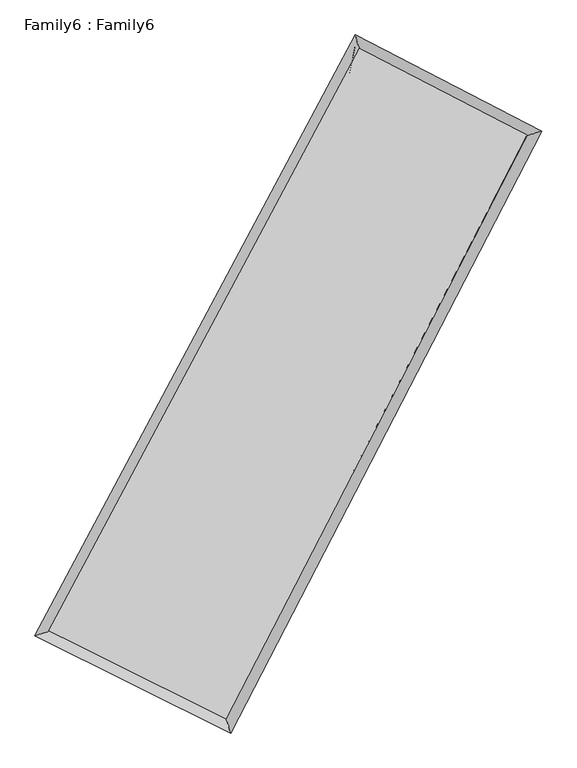
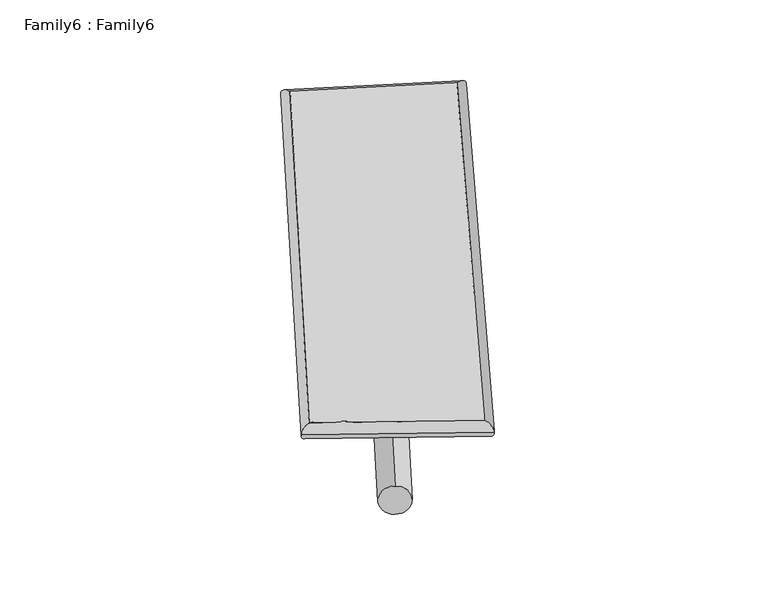
"""IFC4 building model written with IfcOpenShell, lengths in millimetres: plate geometry, Family6 : Family6."""

from ifc_helpers import new_model, si_unit, point, frame, origin, origin_2d, place, context, project, spatial, circle_curve, ellipse_curve, trimmed, segment, composite_curve, outline, extrude, source, transform, mapped, element, save
from ifc_brep_helpers import plane_surface, cylinder_surface, spline_surface, advanced_brep


def family6_family6_19d31a1f(model_context):
    return source(origin(), model_context, "Body", "SolidModel", [
        extrude(outline(composite_curve([segment(trimmed(circle_curve(origin_2d(), 76.2), [point((-75.4341514, -10.7763074))], [point((75.4341514, 10.7763074))], False, "CARTESIAN"), True, "CONTINUOUS"), segment(trimmed(circle_curve(origin_2d(), 76.2), [point((75.4341514, 10.7763074))], [point((-75.4341514, -10.7763074))], False, "CARTESIAN"), True, "CONTINUOUS")], self_intersect=False)), frame((9144.0, 9144.0, 0.0), z_axis=(0.6641619259055654, 0.6934205965561266, 0.2793864929611948), x_axis=(-0.6856364141576612, 0.713946530184487, -0.14206709548152108)), (0.0, 0.0, 1.0), 5611.6700226),
        extrude(outline(composite_curve([segment(trimmed(circle_curve(origin_2d(), 76.2), [point((-53.8815368, 53.8815368))], [point((53.8815368, -53.8815368))], False, "CARTESIAN"), True, "CONTINUOUS"), segment(trimmed(circle_curve(origin_2d(), 76.2), [point((53.8815368, -53.8815368))], [point((-53.8815368, 53.8815368))], False, "CARTESIAN"), True, "CONTINUOUS")], self_intersect=False)), frame((9144.0, 9144.0, 0.0), z_axis=(-0.6721886884968853, -0.686565586535502, 0.2771101990941504), x_axis=(0.6435302678241291, -0.3567181754792173, 0.6772155769597914)), (0.0, 0.0, 1.0), 5652.7100407),
        extrude(outline(composite_curve([segment(trimmed(circle_curve(origin_2d(), 76.2), [point((-53.8815367, -53.8815368))], [point((53.8815367, 53.8815368))], False, "CARTESIAN"), True, "CONTINUOUS"), segment(trimmed(circle_curve(origin_2d(), 76.2), [point((53.8815367, 53.8815368))], [point((-53.8815367, -53.8815368))], False, "CARTESIAN"), True, "CONTINUOUS")], self_intersect=False)), frame((9144.0, 9144.0, 0.0), z_axis=(0.19290296345054464, 0.9446651334007204, 0.26532288334969745), x_axis=(-0.8515603230998489, 0.29551397223075015, -0.43303176365999374)), (0.0, 0.0, 1.0), 5569.9552165),
        extrude(outline(composite_curve([segment(trimmed(circle_curve(origin_2d(), 76.2), [point((-75.4341515, 10.7763073))], [point((75.4341515, -10.7763073))], False, "CARTESIAN"), True, "CONTINUOUS"), segment(trimmed(circle_curve(origin_2d(), 76.2), [point((75.4341515, -10.7763073))], [point((-75.4341515, 10.7763073))], False, "CARTESIAN"), True, "CONTINUOUS")], self_intersect=False)), frame((9144.0, 9144.0, 0.0), z_axis=(-0.1812936274626664, -0.9468254174135187, 0.26580867100443495), x_axis=(0.9033674250970568, -0.05351465610081682, 0.4255155424375531)), (0.0, 0.0, 1.0), 5565.3848241),
        advanced_brep(
        [(5136.3788209, 5196.6360904, 1560.9125417), (5136.1932875, 5196.3946554, 1573.3877583), (5552.2456818, 5329.4515405, 1571.9346678), (10282.0505888, 14201.3970736, 1485.9710696), (10154.8711463, 14610.0879016, 1469.7020867), (5552.4312152, 5329.6929755, 1559.4594512), (12665.6913826, 12969.8613564, 1566.8350825), (13076.4237569, 13100.633793, 1568.814532), (8068.5583559, 4077.8214939, 1480.9331763), (8201.5040381, 3671.2828879, 1477.7219111)],
        [
            (0, 1, ellipse_curve(frame((5344.3122513, 5263.0438154, 1566.4236048), z_axis=(-0.30453634423091336, 0.9523992473304567, 0.013902831612661211), x_axis=(-0.9520752997525143, -0.3048040945882193, 0.02543791507604029)), 218.6462817, 152.4)),
            (1, 2, ellipse_curve(frame((5344.3122513, 5263.0438154, 1566.4236048), z_axis=(-0.30453634423091336, 0.9523992473304567, 0.013902831612661211), x_axis=(-0.9520752997525143, -0.3048040945882193, 0.02543791507604029)), 218.6462817, 152.4)),
            (2, 3),
            (3, 4, ellipse_curve(frame((10218.4608675, 14405.7424876, 1477.8365782), z_axis=(-0.9545549776474714, -0.29764901914278863, -0.015161004312744983), x_axis=(0.29717204585591017, -0.9544272077128518, 0.027522360713815516)), 214.1769598, 152.4)),
            (4, 0),
            (2, 5, ellipse_curve(frame((5344.3122513, 5263.0438154, 1566.4236048), z_axis=(-0.30453634423091336, 0.9523992473304567, 0.013902831612661211), x_axis=(-0.9520752997525143, -0.3048040945882193, 0.02543791507604029)), 218.6462817, 152.4)),
            (5, 0, ellipse_curve(frame((5344.3122513, 5263.0438154, 1566.4236048), z_axis=(-0.30453634423091336, 0.9523992473304567, 0.013902831612661211), x_axis=(-0.9520752997525143, -0.3048040945882193, 0.02543791507604029)), 218.6462817, 152.4)),
            (4, 3, ellipse_curve(frame((10218.4608675, 14405.7424876, 1477.8365782), z_axis=(-0.9545549776474714, -0.29764901914278863, -0.015161004312744983), x_axis=(0.29717204585591017, -0.9544272077128518, 0.027522360713815516)), 214.1769598, 152.4)),
            (3, 6),
            (6, 7, ellipse_curve(frame((12871.0575697, 13035.2475747, 1567.8248073), z_axis=(-0.30328052288627366, 0.952779469550754, -0.015238334568190973), x_axis=(-0.9524067452700217, -0.30359951076543257, -0.02736290604365723)), 215.582298, 152.4)),
            (7, 4),
            (7, 6, ellipse_curve(frame((12871.0575697, 13035.2475747, 1567.8248073), z_axis=(-0.30328052288627366, 0.952779469550754, -0.015238334568190973), x_axis=(-0.9524067452700217, -0.30359951076543257, -0.02736290604365723)), 215.582298, 152.4)),
            (6, 8),
            (8, 9, ellipse_curve(frame((8135.031197, 3874.5521909, 1479.3275437), z_axis=(0.9503491789970618, 0.3108891130806452, -0.01357929849220754), x_axis=(-0.31047670686565926, 0.950224889788932, 0.0260167891844365)), 213.9037913, 152.4)),
            (9, 7),
            (9, 8, ellipse_curve(frame((8135.031197, 3874.5521909, 1479.3275437), z_axis=(0.9503491789970618, 0.3108891130806452, -0.01357929849220754), x_axis=(-0.31047670686565926, 0.950224889788932, 0.0260167891844365)), 213.9037913, 152.4)),
            (8, 5),
            (1, 9),
        ],
        [
            cylinder_surface(frame((5344.3122513, 5263.0438154, 1566.4236048), z_axis=(-0.4704239521736496, -0.8823991186055209, 0.008549895059233377), x_axis=(-0.881720743573567, 0.46962691186120853, -0.044934329946947155)), 152.4),
            cylinder_surface(frame((10218.4608675, 14405.7424876, 1477.8365782), z_axis=(-0.8880244893040501, 0.4588081724261849, -0.030125857850442292), x_axis=(0.45952098965338334, 0.8878524679336969, -0.023631657834752517)), 152.4),
            cylinder_surface(frame((12871.0575697, 13035.2475747, 1567.8248073), z_axis=(0.45923277382345773, 0.888274519648161, 0.008581211467027776), x_axis=(0.8883135167269626, -0.45923277382345773, -0.002086970672835767)), 152.4),
            cylinder_surface(frame((8135.031197, 3874.5521909, 1479.3275437), z_axis=(0.8949574818031447, -0.4452762861372881, -0.027930892723972724), x_axis=(-0.44496155078903665, -0.8953889913413433, 0.01696385876348235)), 152.4),
        ],
        [
            (0, [[1, 2, 3, 4, 5]]),
            (0, [[6, 7, -5, 8, -3]]),
            (1, [[-4, 9, 10, 11]]),
            (1, [[-8, -11, 12, -9]]),
            (2, [[-10, 13, 14, 15]]),
            (2, [[-12, -15, 16, -13]]),
            (3, [[-14, 17, -6, -2, 18]]),
            (3, [[-16, -18, -1, -7, -17]]),
        ],
    ),
        extrude(outline(composite_curve([segment(trimmed(circle_curve(origin_2d(), 304.8), [point((0.0, -304.8))], [point((0.0, 304.8000001))], False, "CARTESIAN"), True, "CONTINUOUS"), segment(trimmed(circle_curve(origin_2d(), 304.8), [point((0.0, 304.8000001))], [point((0.0, -304.8))], False, "CARTESIAN"), True, "CONTINUOUS")], self_intersect=False)), frame((6693.371309, 4571.1307392, -0.1005769), z_axis=(0.4723527972846511, 0.8814095725152696, 1.9385951210512725e-05), x_axis=(-0.8814095727150215, 0.4723527972846511, 4.867099868141622e-06)), (0.0, 0.0, 1.0), 10376.2641192),
        advanced_brep(
        [(5344.3122513, 5263.0438154, 1566.4236048), (8135.031197, 3874.5521909, 1479.3275437), (8135.0527208, 3874.5449464, 1631.727542), (5344.3337751, 5263.0365709, 1718.8236031), (12871.0575697, 13035.2475747, 1567.8248073), (12871.0790935, 13035.2403302, 1720.2248056), (10218.4608675, 14405.7424876, 1477.8365782), (10218.4823913, 14405.7352431, 1630.2365765)],
        [
            (0, 1),
            (1, 2),
            (2, 3),
            (3, 0),
            (1, 4),
            (4, 5),
            (5, 2),
            (4, 6),
            (6, 7),
            (7, 5),
            (6, 0),
            (3, 7),
        ],
        [
            plane_surface(frame((6739.6717242, 4568.7980032, 1522.8755742), z_axis=(-0.4454495663509331, -0.8953070330470729, 2.0352233873475664e-05), x_axis=(0.8949574818031447, -0.4452762861372881, -0.027930892723972756))),
            plane_surface(frame((10503.0443834, 8454.8998828, 1523.5761755), z_axis=(0.8883077973121087, -0.45924855529502834, -0.00014728862548806258), x_axis=(0.4592327738234574, 0.8882745196481612, 0.008581211467027748))),
            plane_surface(frame((11544.7592186, 13720.4950312, 1522.8306927), z_axis=(0.4590171188158852, 0.8884274219785259, -2.259544016681818e-05), x_axis=(-0.8880244893040502, 0.45880817242618493, -0.030125857850442313))),
            plane_surface(frame((7781.3865594, 9834.3931515, 1522.1300915), z_axis=(-0.8824307715882701, 0.4704422512358579, 0.0001469907071672918), x_axis=(-0.4704239521736495, -0.8823991186055208, 0.008549895059233361))),
            spline_surface(1, 1, [[(8135.0527208, 3874.5449464, 1631.727542), (5344.3337751, 5263.0365709, 1718.8236031)], [(12871.0790935, 13035.2403302, 1720.2248056), (10218.4823913, 14405.7352431, 1630.2365765)]], [2, 2], [2, 2], [0.0, 1.0], [0.0, 1.0]),
            spline_surface(1, 1, [[(10218.4608675, 14405.7424876, 1477.8365782), (5344.3122513, 5263.0438154, 1566.4236048)], [(12871.0575697, 13035.2475747, 1567.8248073), (8135.031197, 3874.5521909, 1479.3275437)]], [2, 2], [2, 2], [0.0, 1.0], [0.0, 1.0]),
        ],
        [
            (0, [[1, 2, 3, 4]]),
            (1, [[5, 6, 7, -2]]),
            (2, [[8, 9, 10, -6]]),
            (3, [[11, -4, 12, -9]]),
            (4, [[-3, -7, -10, -12]]),
            (5, [[-11, -8, -5, -1]]),
        ],
    ),
    ])


if __name__ == "__main__":
    model = new_model("IFC4")
    model_context = context("Model", 3, world=origin())
    ifc_project = project(units=[si_unit("LENGTHUNIT", "METRE", prefix="MILLI")], contexts=[model_context])
    site = spatial("IfcSite", under=ifc_project)
    building = spatial("IfcBuilding", under=site)
    placement = place(None, origin())
    family6_family6_shape = family6_family6_19d31a1f(model_context)
    element("IfcPlate", 1, ObjectType="Family6 : Family6", at=placement, inside=building, context=model_context, shape_type="MappedRepresentation", body=[
        mapped(family6_family6_shape, transform((0.0, 0.0, 0.0), x_axis=(1.0, 0.0, 0.0), y_axis=(0.0, 1.0, 0.0), z_axis=(0.0, 0.0, 1.0))),
    ])
    save(model, "model.ifc")
